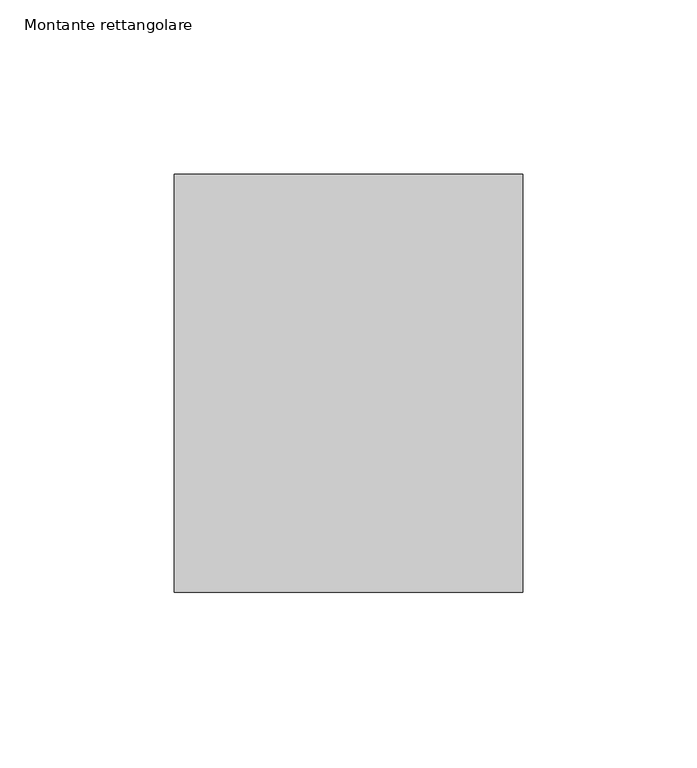
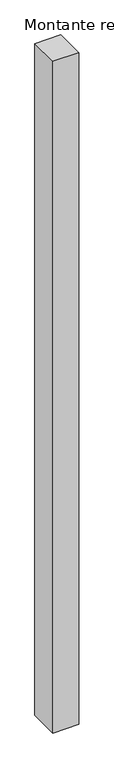
"""IFC4 building model written with IfcOpenShell, lengths in millimetres: member geometry, Montante rettangolare."""

from ifc_helpers import new_model, si_unit, frame, origin, place, context, project, spatial, polyline, outline, extrude, source, transform, mapped, element, save


def montante_rettangolare_514160bb(model_context):
    return source(origin(), model_context, "Body", "SweptSolid", [
        extrude(outline(polyline([(50.0, 60.0), (50.0, -60.0), (-50.0, -60.0), (-50.0, 60.0), (50.0, 60.0)])), frame((0.0, 0.0, -2726.401609), z_axis=(0.0, 0.0, 1.0), x_axis=(1.0, 0.0, 0.0)), (0.0, 0.0, 1.0), 2726.401609),
    ])


if __name__ == "__main__":
    model = new_model("IFC4")
    model_context = context("Model", 3, world=origin())
    ifc_project = project(units=[si_unit("LENGTHUNIT", "METRE", prefix="MILLI")], contexts=[model_context])
    site = spatial("IfcSite", under=ifc_project)
    building = spatial("IfcBuilding", under=site)
    placement = place(None, origin())
    montante_rettangolare_shape = montante_rettangolare_514160bb(model_context)
    element("IfcMember", 1, ObjectType="Montante rettangolare", at=placement, inside=building, context=model_context, shape_type="MappedRepresentation", body=[
        mapped(montante_rettangolare_shape, transform((0.0, 0.0, 0.0), x_axis=(1.0, 0.0, 0.0), y_axis=(0.0, 1.0, 0.0), z_axis=(0.0, 0.0, 1.0))),
    ])
    save(model, "model.ifc")
